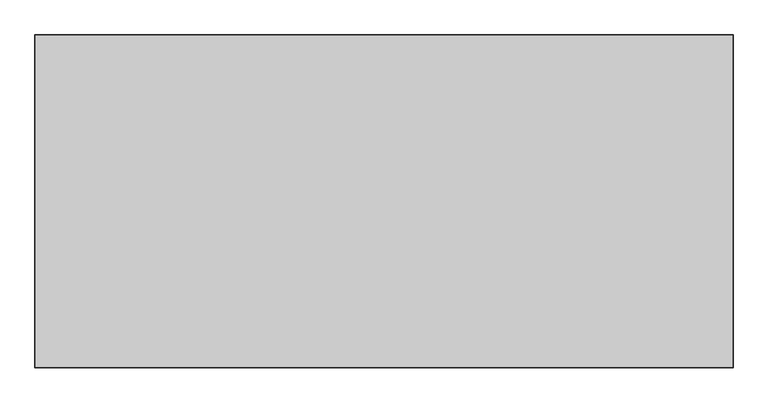
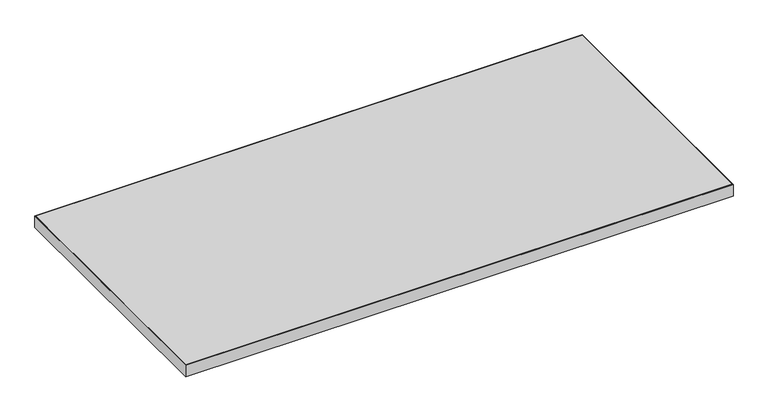
"""IFC4 building model written with IfcOpenShell, lengths in millimetres: furniture geometry."""

import ifcopenshell
import ifcopenshell.guid

model = None  # the IFC model being written
_history = None  # IfcOwnerHistory: only IFC2X3 demands one
_inside = {}  # id of a spatial element -> (the spatial element, [elements in it])
_under = {}  # id of a project, library or spatial element -> (it, [spatial elements below it])
_declared = {}  # id of a project -> (the project, [libraries it declares])
_typed = {}  # id of a type object -> (the type object, [elements of that type])
_made_of = {}  # id of a material, layer set ... -> (it, [elements and type objects made of it])


def new_model(schema):
    """Start an empty IFC model of exactly this schema.

    Asked for "IFC4X3", IfcOpenShell would pick the latest addendum, in which some entities
    have other attributes; the version numbers below select the first issue.
    IFC2X3 requires an IfcOwnerHistory on every rooted entity: one is made here for all.
    """
    global model, _history
    if schema == "IFC4X3":
        model = ifcopenshell.file(schema_version=(4, 3, 0, 0))
    else:
        model = ifcopenshell.file(schema=schema)
    _inside.clear()
    _under.clear()
    _declared.clear()
    _typed.clear()
    _made_of.clear()
    _history = None
    if model.schema == "IFC2X3":
        org = make("IfcOrganization", Name="unknown")
        user = make(
            "IfcPersonAndOrganization",
            ThePerson=make("IfcPerson", FamilyName="unknown"),
            TheOrganization=org,
        )
        app = make(
            "IfcApplication",
            ApplicationDeveloper=org,
            Version="unknown",
            ApplicationFullName="unknown",
            ApplicationIdentifier="unknown",
        )
        _history = make(
            "IfcOwnerHistory",
            OwningUser=user,
            OwningApplication=app,
            ChangeAction="ADDED",
            CreationDate=0,
        )
    return model


def make(cls, **values):
    """One entity of the class cls with the attributes given. An attribute that is None is left unset."""
    return model.create_entity(
        cls, **{name: value for name, value in values.items() if value is not None}
    )


def rooted(cls, **values):
    """An entity with a GlobalId (a new one), such as an element, a storey or a relation."""
    return make(cls, GlobalId=ifcopenshell.guid.new(), OwnerHistory=_history, **values)


def si_unit(unit_type, name, prefix=None):
    """IfcSIUnit, for example si_unit("LENGTHUNIT", "METRE", prefix="MILLI")."""
    return make("IfcSIUnit", UnitType=unit_type, Prefix=prefix, Name=name)


def assignment(units):
    """IfcUnitAssignment: the units of a project."""
    return None if units is None else make("IfcUnitAssignment", Units=units)


def point(xyz):
    """IfcCartesianPoint."""
    return None if xyz is None else make("IfcCartesianPoint", Coordinates=xyz)


def direction(xyz):
    """IfcDirection."""
    return None if xyz is None else make("IfcDirection", DirectionRatios=xyz)


def frame(location, z_axis=None, x_axis=None):
    """IfcAxis2Placement3D, a coordinate frame: its origin and axes. An axis left out is left unset."""
    return make(
        "IfcAxis2Placement3D",
        Location=point(location),
        Axis=direction(z_axis),
        RefDirection=direction(x_axis),
    )


def origin():
    """The frame at (0, 0, 0) with its axes left unset."""
    return frame((0.0, 0.0, 0.0))


def place(relative_to, where):
    """IfcLocalPlacement: puts the frame where relative to a parent placement (None: the world)."""
    return make(
        "IfcLocalPlacement", PlacementRelTo=relative_to, RelativePlacement=where
    )


def context(
    kind, dimensions, precision=None, world=None, true_north=None, identifier=None
):
    """IfcGeometricRepresentationContext, for example the 3D "Model" context."""
    return make(
        "IfcGeometricRepresentationContext",
        ContextIdentifier=identifier,
        ContextType=kind,
        CoordinateSpaceDimension=dimensions,
        Precision=precision,
        WorldCoordinateSystem=world,
        TrueNorth=true_north,
    )


def project(units=None, contexts=None):
    """IfcProject with its units and contexts."""
    return rooted(
        "IfcProject",
        Name="project",
        RepresentationContexts=contexts,
        UnitsInContext=assignment(units),
    )


def spatial(cls, under=None, at=None, **own):
    """A site, building, storey or space (cls), placed at a placement, below another one or the project."""
    s = rooted(cls, ObjectPlacement=at, **own)
    if under is not None:
        _under.setdefault(under.id(), (under, []))[1].append(s)
    return s


def polyline(points):
    """IfcPolyline through the points."""
    return make("IfcPolyline", Points=[point(p) for p in points])


def outline(outer, holes=None, kind="AREA"):
    """IfcArbitraryClosedProfileDef: a profile drawn as a closed curve; with holes, ...WithVoids."""
    if holes is None:
        return make("IfcArbitraryClosedProfileDef", ProfileType=kind, OuterCurve=outer)
    return make(
        "IfcArbitraryProfileDefWithVoids",
        ProfileType=kind,
        OuterCurve=outer,
        InnerCurves=holes,
    )


def extrude(swept, where, along, depth):
    """IfcExtrudedAreaSolid: the profile swept, set in the frame where, extruded along a direction by depth."""
    return make(
        "IfcExtrudedAreaSolid",
        SweptArea=swept,
        Position=where,
        ExtrudedDirection=direction(along),
        Depth=depth,
    )


def shape(context_of_items, identifier, shape_type, items):
    """IfcShapeRepresentation: the items that make up one representation, for example the "Body"."""
    return make(
        "IfcShapeRepresentation",
        ContextOfItems=context_of_items,
        RepresentationIdentifier=identifier,
        RepresentationType=shape_type,
        Items=items,
    )


def source(mapping_origin, context_of_items, identifier, shape_type, items):
    """IfcRepresentationMap: a shape defined once, which mapped items show again and again."""
    return make(
        "IfcRepresentationMap",
        MappingOrigin=mapping_origin,
        MappedRepresentation=shape(context_of_items, identifier, shape_type, items),
    )


def transform(
    local_origin,
    x_axis=None,
    y_axis=None,
    z_axis=None,
    scale=None,
    scale2=None,
    scale3=None,
    uniform=True,
):
    """IfcCartesianTransformationOperator3D, or its non-uniform kind. x_axis, y_axis, z_axis: its Axis1, 2, 3."""
    if uniform:
        return make(
            "IfcCartesianTransformationOperator3D",
            Axis1=direction(x_axis),
            Axis2=direction(y_axis),
            LocalOrigin=point(local_origin),
            Scale=scale,
            Axis3=direction(z_axis),
        )
    return make(
        "IfcCartesianTransformationOperator3DnonUniform",
        Axis1=direction(x_axis),
        Axis2=direction(y_axis),
        LocalOrigin=point(local_origin),
        Scale=scale,
        Axis3=direction(z_axis),
        Scale2=scale2,
        Scale3=scale3,
    )


def mapped(mapping_source, mapping_target):
    """IfcMappedItem: shows the shape of a source again, moved by a transform."""
    return make(
        "IfcMappedItem", MappingSource=mapping_source, MappingTarget=mapping_target
    )


def made_of(thing, what):
    """Note that an element or type object is made of a material, layer set ...; save() writes the relation."""
    if what is not None:
        _made_of.setdefault(what.id(), (what, []))[1].append(thing)
    return thing


def element(
    cls,
    number,
    at=None,
    inside=None,
    cuts=None,
    type_object=None,
    material=None,
    context=None,
    identifier="Body",
    shape_type=None,
    held_by="IfcProductDefinitionShape",
    body=None,
    shapes=None,
    **own,
):
    """One element of the class cls, such as IfcWall. Its Tag is "e" and its number.

    at: its placement. inside: the storey or other place that contains it. cuts: it is an
    opening in that element (IfcRelVoidsElement). A single representation is given by context,
    identifier, shape_type and body (its items); several are given by shapes. held_by: the class
    of the entity that holds the representations. save() writes the other relations.
    """
    e = rooted(cls, Tag="e%d" % number, ObjectPlacement=at, **own)
    if body is not None:
        shapes = [shape(context, identifier, shape_type, body)]
    if shapes is not None:
        e.Representation = make(held_by, Representations=shapes)
    if inside is not None:
        _inside.setdefault(inside.id(), (inside, []))[1].append(e)
    if cuts is not None:
        rooted(
            "IfcRelVoidsElement", RelatingBuildingElement=cuts, RelatedOpeningElement=e
        )
    if type_object is not None:
        _typed.setdefault(type_object.id(), (type_object, []))[1].append(e)
    return made_of(e, material)


def aggregate(whole, parts):
    """IfcRelAggregates: a whole, such as a stair, and the parts it consists of."""
    return rooted("IfcRelAggregates", RelatingObject=whole, RelatedObjects=parts)


def save(model, path):
    """Write the relations noted so far, then the file.

    IfcRelAggregates (storeys below a building ...), IfcRelContainedInSpatialStructure (elements
    in a storey), IfcRelDefinesByType, IfcRelAssociatesMaterial and IfcRelDeclares: one each for
    every whole, place, type object, material and project.
    """
    for whole, parts in _under.values():
        aggregate(whole, parts)
    for where, things in _inside.values():
        rooted(
            "IfcRelContainedInSpatialStructure",
            RelatedElements=things,
            RelatingStructure=where,
        )
    for kind, things in _typed.values():
        rooted("IfcRelDefinesByType", RelatedObjects=things, RelatingType=kind)
    for what, things in _made_of.values():
        rooted("IfcRelAssociatesMaterial", RelatedObjects=things, RelatingMaterial=what)
    for by, libraries in _declared.values():
        rooted("IfcRelDeclares", RelatingContext=by, RelatedDefinitions=libraries)
    model.write(path)


def furniture_b447963b(model_context):
    return source(origin(), model_context, "Body", "SweptSolid", [
        extrude(outline(polyline([(1218.184, -1.016), (1218.184, -580.1359908), (1.016, -580.1359908), (1.016, -1.016), (1218.184, -1.016)])), frame((0.0, 0.0, 697.2297529), z_axis=(0.0, 0.0, 1.0), x_axis=(1.0, 0.0, 0.0)), (0.0, 0.0, 1.0), 26.924),
        extrude(outline(polyline([(1219.2, -581.1519908), (0.0, -581.1519908), (0.0, 0.0), (1219.2, 0.0), (1219.2, -581.1519908)]), holes=[polyline([(1218.184, -1.016), (1.016, -1.016), (1.016, -580.1359908), (1218.184, -580.1359908), (1218.184, -1.016)])]), frame((0.0, 0.0, 697.2297529), z_axis=(0.0, 0.0, 1.0), x_axis=(1.0, 0.0, 0.0)), (0.0, 0.0, 1.0), 26.924),
    ])


if __name__ == "__main__":
    model = new_model("IFC4")
    model_context = context("Model", 3, world=origin())
    ifc_project = project(units=[si_unit("LENGTHUNIT", "METRE", prefix="MILLI")], contexts=[model_context])
    site = spatial("IfcSite", under=ifc_project)
    building = spatial("IfcBuilding", under=site)
    placement = place(None, origin())
    furniture_shape = furniture_b447963b(model_context)
    element("IfcFurniture", 1, at=placement, inside=building, context=model_context, shape_type="MappedRepresentation", body=[
        mapped(furniture_shape, transform((0.0, 0.0, 0.0), x_axis=(1.0, 0.0, 0.0), y_axis=(0.0, 1.0, 0.0), z_axis=(0.0, 0.0, 1.0))),
    ])
    save(model, "model.ifc")
